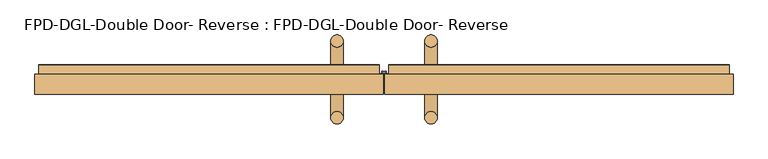
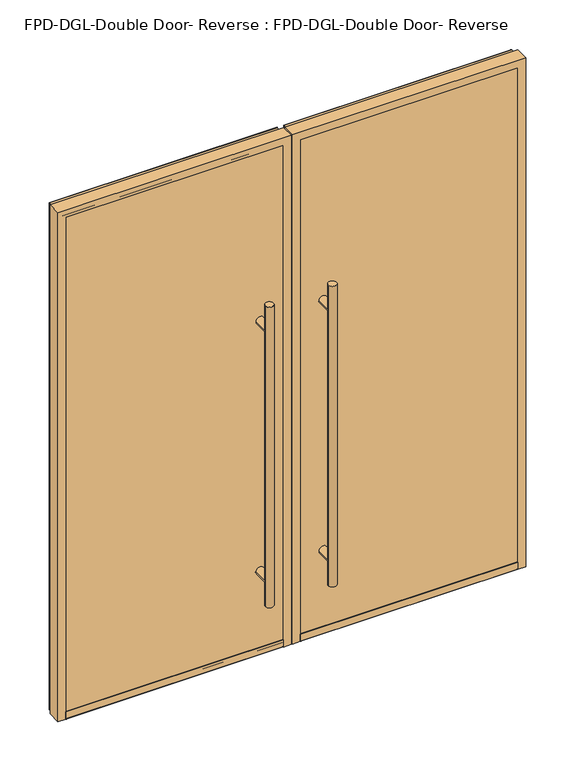
"""IFC4 building model written with IfcOpenShell, lengths in millimetres: door geometry, FPD-DGL-Double Door- Reverse : FPD-DGL-Double Door- Reverse."""

import ifcopenshell
import ifcopenshell.guid

model = None  # the IFC model being written
_history = None  # IfcOwnerHistory: only IFC2X3 demands one
_inside = {}  # id of a spatial element -> (the spatial element, [elements in it])
_under = {}  # id of a project, library or spatial element -> (it, [spatial elements below it])
_declared = {}  # id of a project -> (the project, [libraries it declares])
_typed = {}  # id of a type object -> (the type object, [elements of that type])
_made_of = {}  # id of a material, layer set ... -> (it, [elements and type objects made of it])


def new_model(schema):
    """Start an empty IFC model of exactly this schema.

    Asked for "IFC4X3", IfcOpenShell would pick the latest addendum, in which some entities
    have other attributes; the version numbers below select the first issue.
    IFC2X3 requires an IfcOwnerHistory on every rooted entity: one is made here for all.
    """
    global model, _history
    if schema == "IFC4X3":
        model = ifcopenshell.file(schema_version=(4, 3, 0, 0))
    else:
        model = ifcopenshell.file(schema=schema)
    _inside.clear()
    _under.clear()
    _declared.clear()
    _typed.clear()
    _made_of.clear()
    _history = None
    if model.schema == "IFC2X3":
        org = make("IfcOrganization", Name="unknown")
        user = make(
            "IfcPersonAndOrganization",
            ThePerson=make("IfcPerson", FamilyName="unknown"),
            TheOrganization=org,
        )
        app = make(
            "IfcApplication",
            ApplicationDeveloper=org,
            Version="unknown",
            ApplicationFullName="unknown",
            ApplicationIdentifier="unknown",
        )
        _history = make(
            "IfcOwnerHistory",
            OwningUser=user,
            OwningApplication=app,
            ChangeAction="ADDED",
            CreationDate=0,
        )
    return model


def make(cls, **values):
    """One entity of the class cls with the attributes given. An attribute that is None is left unset."""
    return model.create_entity(
        cls, **{name: value for name, value in values.items() if value is not None}
    )


def rooted(cls, **values):
    """An entity with a GlobalId (a new one), such as an element, a storey or a relation."""
    return make(cls, GlobalId=ifcopenshell.guid.new(), OwnerHistory=_history, **values)


def si_unit(unit_type, name, prefix=None):
    """IfcSIUnit, for example si_unit("LENGTHUNIT", "METRE", prefix="MILLI")."""
    return make("IfcSIUnit", UnitType=unit_type, Prefix=prefix, Name=name)


def assignment(units):
    """IfcUnitAssignment: the units of a project."""
    return None if units is None else make("IfcUnitAssignment", Units=units)


def point(xyz):
    """IfcCartesianPoint."""
    return None if xyz is None else make("IfcCartesianPoint", Coordinates=xyz)


def direction(xyz):
    """IfcDirection."""
    return None if xyz is None else make("IfcDirection", DirectionRatios=xyz)


def frame(location, z_axis=None, x_axis=None):
    """IfcAxis2Placement3D, a coordinate frame: its origin and axes. An axis left out is left unset."""
    return make(
        "IfcAxis2Placement3D",
        Location=point(location),
        Axis=direction(z_axis),
        RefDirection=direction(x_axis),
    )


def frame_2d(location, x_axis=None):
    """IfcAxis2Placement2D, a coordinate frame in the plane: its origin and x axis."""
    return make(
        "IfcAxis2Placement2D", Location=point(location), RefDirection=direction(x_axis)
    )


def origin():
    """The frame at (0, 0, 0) with its axes left unset."""
    return frame((0.0, 0.0, 0.0))


def place(relative_to, where):
    """IfcLocalPlacement: puts the frame where relative to a parent placement (None: the world)."""
    return make(
        "IfcLocalPlacement", PlacementRelTo=relative_to, RelativePlacement=where
    )


def context(
    kind, dimensions, precision=None, world=None, true_north=None, identifier=None
):
    """IfcGeometricRepresentationContext, for example the 3D "Model" context."""
    return make(
        "IfcGeometricRepresentationContext",
        ContextIdentifier=identifier,
        ContextType=kind,
        CoordinateSpaceDimension=dimensions,
        Precision=precision,
        WorldCoordinateSystem=world,
        TrueNorth=true_north,
    )


def project(units=None, contexts=None):
    """IfcProject with its units and contexts."""
    return rooted(
        "IfcProject",
        Name="project",
        RepresentationContexts=contexts,
        UnitsInContext=assignment(units),
    )


def spatial(cls, under=None, at=None, **own):
    """A site, building, storey or space (cls), placed at a placement, below another one or the project."""
    s = rooted(cls, ObjectPlacement=at, **own)
    if under is not None:
        _under.setdefault(under.id(), (under, []))[1].append(s)
    return s


def polyline(points):
    """IfcPolyline through the points."""
    return make("IfcPolyline", Points=[point(p) for p in points])


def circle_curve(where, radius):
    """IfcCircle in the frame where."""
    return make("IfcCircle", Position=where, Radius=radius)


def ellipse_curve(where, semi_axis1, semi_axis2):
    """IfcEllipse in the frame where."""
    return make(
        "IfcEllipse", Position=where, SemiAxis1=semi_axis1, SemiAxis2=semi_axis2
    )


def trimmed(basis, trim1, trim2, sense, master):
    """IfcTrimmedCurve: the piece of a basis curve between two trims."""
    return make(
        "IfcTrimmedCurve",
        BasisCurve=basis,
        Trim1=trim1,
        Trim2=trim2,
        SenseAgreement=sense,
        MasterRepresentation=master,
    )


def segment(curve, same_sense, transition):
    """IfcCompositeCurveSegment."""
    return make(
        "IfcCompositeCurveSegment",
        Transition=transition,
        SameSense=same_sense,
        ParentCurve=curve,
    )


def composite_curve(segments, self_intersect=None):
    """IfcCompositeCurve: segments joined end to end."""
    return make("IfcCompositeCurve", Segments=segments, SelfIntersect=self_intersect)


def outline(outer, holes=None, kind="AREA"):
    """IfcArbitraryClosedProfileDef: a profile drawn as a closed curve; with holes, ...WithVoids."""
    if holes is None:
        return make("IfcArbitraryClosedProfileDef", ProfileType=kind, OuterCurve=outer)
    return make(
        "IfcArbitraryProfileDefWithVoids",
        ProfileType=kind,
        OuterCurve=outer,
        InnerCurves=holes,
    )


def extrude(swept, where, along, depth):
    """IfcExtrudedAreaSolid: the profile swept, set in the frame where, extruded along a direction by depth."""
    return make(
        "IfcExtrudedAreaSolid",
        SweptArea=swept,
        Position=where,
        ExtrudedDirection=direction(along),
        Depth=depth,
    )


def shape(context_of_items, identifier, shape_type, items):
    """IfcShapeRepresentation: the items that make up one representation, for example the "Body"."""
    return make(
        "IfcShapeRepresentation",
        ContextOfItems=context_of_items,
        RepresentationIdentifier=identifier,
        RepresentationType=shape_type,
        Items=items,
    )


def source(mapping_origin, context_of_items, identifier, shape_type, items):
    """IfcRepresentationMap: a shape defined once, which mapped items show again and again."""
    return make(
        "IfcRepresentationMap",
        MappingOrigin=mapping_origin,
        MappedRepresentation=shape(context_of_items, identifier, shape_type, items),
    )


def transform(
    local_origin,
    x_axis=None,
    y_axis=None,
    z_axis=None,
    scale=None,
    scale2=None,
    scale3=None,
    uniform=True,
):
    """IfcCartesianTransformationOperator3D, or its non-uniform kind. x_axis, y_axis, z_axis: its Axis1, 2, 3."""
    if uniform:
        return make(
            "IfcCartesianTransformationOperator3D",
            Axis1=direction(x_axis),
            Axis2=direction(y_axis),
            LocalOrigin=point(local_origin),
            Scale=scale,
            Axis3=direction(z_axis),
        )
    return make(
        "IfcCartesianTransformationOperator3DnonUniform",
        Axis1=direction(x_axis),
        Axis2=direction(y_axis),
        LocalOrigin=point(local_origin),
        Scale=scale,
        Axis3=direction(z_axis),
        Scale2=scale2,
        Scale3=scale3,
    )


def mapped(mapping_source, mapping_target):
    """IfcMappedItem: shows the shape of a source again, moved by a transform."""
    return make(
        "IfcMappedItem", MappingSource=mapping_source, MappingTarget=mapping_target
    )


def made_of(thing, what):
    """Note that an element or type object is made of a material, layer set ...; save() writes the relation."""
    if what is not None:
        _made_of.setdefault(what.id(), (what, []))[1].append(thing)
    return thing


def element(
    cls,
    number,
    at=None,
    inside=None,
    cuts=None,
    type_object=None,
    material=None,
    context=None,
    identifier="Body",
    shape_type=None,
    held_by="IfcProductDefinitionShape",
    body=None,
    shapes=None,
    **own,
):
    """One element of the class cls, such as IfcWall. Its Tag is "e" and its number.

    at: its placement. inside: the storey or other place that contains it. cuts: it is an
    opening in that element (IfcRelVoidsElement). A single representation is given by context,
    identifier, shape_type and body (its items); several are given by shapes. held_by: the class
    of the entity that holds the representations. save() writes the other relations.
    """
    e = rooted(cls, Tag="e%d" % number, ObjectPlacement=at, **own)
    if body is not None:
        shapes = [shape(context, identifier, shape_type, body)]
    if shapes is not None:
        e.Representation = make(held_by, Representations=shapes)
    if inside is not None:
        _inside.setdefault(inside.id(), (inside, []))[1].append(e)
    if cuts is not None:
        rooted(
            "IfcRelVoidsElement", RelatingBuildingElement=cuts, RelatedOpeningElement=e
        )
    if type_object is not None:
        _typed.setdefault(type_object.id(), (type_object, []))[1].append(e)
    return made_of(e, material)


def aggregate(whole, parts):
    """IfcRelAggregates: a whole, such as a stair, and the parts it consists of."""
    return rooted("IfcRelAggregates", RelatingObject=whole, RelatedObjects=parts)


def save(model, path):
    """Write the relations noted so far, then the file.

    IfcRelAggregates (storeys below a building ...), IfcRelContainedInSpatialStructure (elements
    in a storey), IfcRelDefinesByType, IfcRelAssociatesMaterial and IfcRelDeclares: one each for
    every whole, place, type object, material and project.
    """
    for whole, parts in _under.values():
        aggregate(whole, parts)
    for where, things in _inside.values():
        rooted(
            "IfcRelContainedInSpatialStructure",
            RelatedElements=things,
            RelatingStructure=where,
        )
    for kind, things in _typed.values():
        rooted("IfcRelDefinesByType", RelatedObjects=things, RelatingType=kind)
    for what, things in _made_of.values():
        rooted("IfcRelAssociatesMaterial", RelatedObjects=things, RelatingMaterial=what)
    for by, libraries in _declared.values():
        rooted("IfcRelDeclares", RelatingContext=by, RelatedDefinitions=libraries)
    model.write(path)


def plane_surface(at):
    """IfcPlane: the flat surface through the origin of the frame at, square to its z axis."""
    return make("IfcPlane", Position=at)


def cylinder_surface(at, radius):
    """IfcCylindricalSurface: all points at the distance radius from the z axis of the frame at."""
    return make("IfcCylindricalSurface", Position=at, Radius=radius)


def revolved_surface(curve, axis_point, axis_direction):
    """IfcSurfaceOfRevolution: the curve turned about the line through axis_point along axis_direction."""
    return make(
        "IfcSurfaceOfRevolution",
        SweptCurve=make("IfcArbitraryOpenProfileDef", ProfileType="CURVE", Curve=curve),
        AxisPosition=make("IfcAxis1Placement", Location=point(axis_point), Axis=direction(axis_direction)),
    )


def advanced_brep(points, edges, surfaces, faces):
    """IfcAdvancedBrep: a solid bounded by faces that lie on surfaces and meet in shared edges.

    An edge is (start, end): straight between two places in points (the first is 0);
    or (start, end, curve); or (start, end, curve, False) where it runs against its curve.
    A face is (place in surfaces, loops), or (place, loops, False) where it looks against
    its surface's normal. A loop lists edges by number (the first is 1), with a minus sign
    where the edge is run from its end to its start. The first loop is the outer one.
    """
    corners = [point(p) for p in points]
    vertices = [make("IfcVertexPoint", VertexGeometry=c) for c in corners]
    made = []
    for start, end, *more in edges:
        made.append(
            make(
                "IfcEdgeCurve",
                EdgeStart=vertices[start],
                EdgeEnd=vertices[end],
                EdgeGeometry=more[0] if more else make("IfcPolyline", Points=[corners[start], corners[end]]),
                SameSense=more[1] if len(more) > 1 else True,
            )
        )
    hull = []
    for where, loops, *sense in faces:
        bounds = []
        for j, loop in enumerate(loops):
            ring = [make("IfcOrientedEdge", EdgeElement=made[abs(k) - 1], Orientation=k > 0) for k in loop]
            bounds.append(
                make(
                    "IfcFaceOuterBound" if j == 0 else "IfcFaceBound",
                    Bound=make("IfcEdgeLoop", EdgeList=ring),
                    Orientation=True,
                )
            )
        hull.append(make("IfcAdvancedFace", Bounds=bounds, FaceSurface=surfaces[where], SameSense=sense[0] if sense else True))
    return make("IfcAdvancedBrep", Outer=make("IfcClosedShell", CfsFaces=hull))


def fpd_dgl_double_door_reverse_fpd_dgl_double_door_reverse_4a1ef903(model_context):
    return source(origin(), model_context, "Body", "SolidModel", [
        advanced_brep(
        [(104.9845783, -71.9151142, 1473.2), (136.7345783, -71.9151142, 1473.2), (104.9845783, 125.3098915, 1473.2), (136.7345783, 125.3098915, 1473.2), (104.9845783, -71.9151142, 254.0), (136.7345783, -71.9151142, 254.0), (104.9845783, 125.3098915, 254.0), (136.7345783, 125.3098915, 254.0), (104.9845783, -71.9151142, 355.6), (136.7345783, -71.9151142, 355.6), (104.9845783, -71.9151142, 1371.6), (136.7345783, -71.9151142, 1371.6), (136.7345783, 125.3098915, 1371.6), (136.7345783, 125.3098915, 355.6), (104.9845783, 125.3098915, 355.6), (104.9845783, 125.3098915, 1371.6)],
        [
            (0, 1, circle_curve(frame((120.8595783, -71.9151142, 1473.2), z_axis=(0.0, 0.0, 1.0), x_axis=(1.0, 0.0, 0.0)), 15.875)),
            (1, 0, circle_curve(frame((120.8595783, -71.9151142, 1473.2), z_axis=(0.0, 0.0, 1.0), x_axis=(1.0, 0.0, 0.0)), 15.875)),
            (2, 3, circle_curve(frame((120.8595783, 125.3098915, 1473.2), z_axis=(0.0, 0.0, 1.0), x_axis=(1.0, 0.0, 0.0)), 15.875)),
            (3, 2, circle_curve(frame((120.8595783, 125.3098915, 1473.2), z_axis=(0.0, 0.0, 1.0), x_axis=(1.0, 0.0, 0.0)), 15.875)),
            (4, 5, circle_curve(frame((120.8595783, -71.9151142, 254.0), z_axis=(0.0, 0.0, -1.0), x_axis=(1.0, 0.0, 0.0)), 15.875)),
            (5, 4, circle_curve(frame((120.8595783, -71.9151142, 254.0), z_axis=(0.0, 0.0, -1.0), x_axis=(1.0, 0.0, 0.0)), 15.875)),
            (6, 7, circle_curve(frame((120.8595783, 125.3098915, 254.0), z_axis=(0.0, 0.0, -1.0), x_axis=(1.0, 0.0, 0.0)), 15.875)),
            (7, 6, circle_curve(frame((120.8595783, 125.3098915, 254.0), z_axis=(0.0, 0.0, -1.0), x_axis=(1.0, 0.0, 0.0)), 15.875)),
            (4, 8),
            (8, 9, ellipse_curve(frame((120.8595783, -71.9151142, 355.6), z_axis=(0.0, -0.7071067811865525, -0.7071067811865427), x_axis=(0.0, -0.7071067811865427, 0.7071067811865523)), 22.4506403, 15.875)),
            (9, 5),
            (10, 11, ellipse_curve(frame((120.8595783, -71.9151142, 1371.6), z_axis=(0.0, -0.7071067811865427, -0.7071067811865525), x_axis=(0.0, -0.7071067811865525, 0.7071067811865425)), 22.4506403, 15.875)),
            (11, 9),
            (9, 8, ellipse_curve(frame((120.8595783, -71.9151142, 355.6), z_axis=(0.0, -0.7071067811865427, 0.7071067811865525), x_axis=(0.0, 0.7071067811865525, 0.7071067811865425)), 22.4506403, 15.875)),
            (8, 10),
            (1, 11),
            (11, 10, ellipse_curve(frame((120.8595783, -71.9151142, 1371.6), z_axis=(0.0, -0.7071067811865525, 0.7071067811865427), x_axis=(0.0, 0.7071067811865427, 0.7071067811865523)), 22.4506403, 15.875)),
            (10, 0),
            (3, 12),
            (12, 13),
            (13, 7),
            (6, 14),
            (14, 15),
            (15, 2),
            (15, 12, ellipse_curve(frame((120.8595783, 125.3098915, 1371.6), z_axis=(0.0, 0.7071067811865427, 0.7071067811865525), x_axis=(0.0, -0.7071067811865525, 0.7071067811865425)), 22.4506403, 15.875)),
            (13, 14, ellipse_curve(frame((120.8595783, 125.3098915, 355.6), z_axis=(0.0, 0.7071067811865427, -0.7071067811865525), x_axis=(0.0, 0.7071067811865525, 0.7071067811865425)), 22.4506403, 15.875)),
            (14, 13, ellipse_curve(frame((120.8595783, 125.3098915, 355.6), z_axis=(0.0, 0.7071067811865525, 0.7071067811865427), x_axis=(0.0, -0.7071067811865427, 0.7071067811865523)), 22.4506403, 15.875)),
            (12, 15, ellipse_curve(frame((120.8595783, 125.3098915, 1371.6), z_axis=(0.0, 0.7071067811865525, -0.7071067811865427), x_axis=(0.0, 0.7071067811865427, 0.7071067811865523)), 22.4506403, 15.875)),
            (10, 15),
            (12, 11),
            (8, 14),
            (13, 9),
        ],
        [
            plane_surface(frame((21.7521776, 26.7129348, 1473.2), z_axis=(0.0, 0.0, 1.0), x_axis=(0.0, -1.0, 0.0))),
            plane_surface(frame((21.7521776, 26.7129348, 254.0), z_axis=(0.0, 0.0, -1.0), x_axis=(0.0, -1.0, 0.0))),
            cylinder_surface(frame((120.8595783, -71.9151142, 1473.2), z_axis=(0.0, 0.0, 1.0), x_axis=(1.0, 0.0, 0.0)), 15.875),
            cylinder_surface(frame((120.8595783, 125.3098915, 1473.2), z_axis=(0.0, 0.0, 1.0), x_axis=(1.0, 0.0, 0.0)), 15.875),
            cylinder_surface(frame((120.8595783, 125.3098915, 1371.6), z_axis=(0.0, -1.0, 0.0), x_axis=(-1.0, 0.0, 0.0)), 15.875),
            cylinder_surface(frame((120.8595783, 26.7129348, 355.6), z_axis=(0.0, -1.0, 0.0), x_axis=(-1.0, 0.0, 0.0)), 15.875),
        ],
        [
            (0, [[1, 2]]),
            (0, [[3, 4]]),
            (1, [[5, 6]]),
            (1, [[7, 8]]),
            (2, [[9, 10, 11, -5]]),
            (2, [[12, 13, 14, 15]]),
            (2, [[16, 17, 18, -2]]),
            (2, [[-18, -15, -9, -6, -11, -13, -16, -1]]),
            (3, [[19, 20, 21, -7, 22, 23, 24, -4]]),
            (3, [[-24, 25, -19, -3]]),
            (3, [[-21, 26, -22, -8]]),
            (3, [[27, -20, 28, -23]]),
            (4, [[-12, 29, -28, 30]]),
            (4, [[-25, -29, -17, -30]]),
            (5, [[-10, 31, -26, 32]]),
            (5, [[-27, -31, -14, -32]]),
        ],
    ),
        advanced_brep(
        [(-104.9845783, -71.9151142, 1473.2), (-136.7345783, -71.9151142, 1473.2), (-104.9845783, 125.3098915, 1473.2), (-136.7345783, 125.3098915, 1473.2), (-104.9845783, -71.9151142, 254.0), (-136.7345783, -71.9151142, 254.0), (-104.9845783, 125.3098915, 254.0), (-136.7345783, 125.3098915, 254.0), (-104.9845783, -71.9151142, 1371.6), (-136.7345783, -71.9151142, 1371.6), (-136.7345783, -71.9151142, 355.6), (-104.9845783, -71.9151142, 355.6), (-104.9845783, 125.3098915, 1371.6), (-104.9845783, 125.3098915, 355.6), (-136.7345783, 125.3098915, 355.6), (-136.7345783, 125.3098915, 1371.6)],
        [
            (0, 1, circle_curve(frame((-120.8595783, -71.9151142, 1473.2), z_axis=(0.0, 0.0, 1.0), x_axis=(-1.0, 0.0, 0.0)), 15.875)),
            (1, 0, circle_curve(frame((-120.8595783, -71.9151142, 1473.2), z_axis=(0.0, 0.0, 1.0), x_axis=(-1.0, 0.0, 0.0)), 15.875)),
            (2, 3, circle_curve(frame((-120.8595783, 125.3098915, 1473.2), z_axis=(0.0, 0.0, 1.0), x_axis=(-1.0, 0.0, 0.0)), 15.875)),
            (3, 2, circle_curve(frame((-120.8595783, 125.3098915, 1473.2), z_axis=(0.0, 0.0, 1.0), x_axis=(-1.0, 0.0, 0.0)), 15.875)),
            (4, 5, circle_curve(frame((-120.8595783, -71.9151142, 254.0), z_axis=(0.0, 0.0, -1.0), x_axis=(-1.0, 0.0, 0.0)), 15.875)),
            (5, 4, circle_curve(frame((-120.8595783, -71.9151142, 254.0), z_axis=(0.0, 0.0, -1.0), x_axis=(-1.0, 0.0, 0.0)), 15.875)),
            (6, 7, circle_curve(frame((-120.8595783, 125.3098915, 254.0), z_axis=(0.0, 0.0, -1.0), x_axis=(-1.0, 0.0, 0.0)), 15.875)),
            (7, 6, circle_curve(frame((-120.8595783, 125.3098915, 254.0), z_axis=(0.0, 0.0, -1.0), x_axis=(-1.0, 0.0, 0.0)), 15.875)),
            (0, 8),
            (8, 9, ellipse_curve(frame((-120.8595783, -71.9151142, 1371.6), z_axis=(0.0, -0.7071067811865525, 0.7071067811865427), x_axis=(0.0, 0.7071067811865427, 0.7071067811865523)), 22.4506403, 15.875)),
            (9, 1),
            (5, 10),
            (10, 11, ellipse_curve(frame((-120.8595783, -71.9151142, 355.6), z_axis=(0.0, -0.7071067811865525, -0.7071067811865427), x_axis=(0.0, -0.7071067811865427, 0.7071067811865523)), 22.4506403, 15.875)),
            (11, 4),
            (8, 11),
            (11, 10, ellipse_curve(frame((-120.8595783, -71.9151142, 355.6), z_axis=(0.0, -0.7071067811865427, 0.7071067811865525), x_axis=(0.0, 0.7071067811865525, 0.7071067811865425)), 22.4506403, 15.875)),
            (10, 9),
            (9, 8, ellipse_curve(frame((-120.8595783, -71.9151142, 1371.6), z_axis=(0.0, -0.7071067811865427, -0.7071067811865525), x_axis=(0.0, -0.7071067811865525, 0.7071067811865425)), 22.4506403, 15.875)),
            (2, 12),
            (12, 13),
            (13, 6),
            (7, 14),
            (14, 15),
            (15, 3),
            (15, 12, ellipse_curve(frame((-120.8595783, 125.3098915, 1371.6), z_axis=(0.0, 0.7071067811865427, 0.7071067811865525), x_axis=(0.0, -0.7071067811865525, 0.7071067811865425)), 22.4506403, 15.875)),
            (13, 14, ellipse_curve(frame((-120.8595783, 125.3098915, 355.6), z_axis=(0.0, 0.7071067811865427, -0.7071067811865525), x_axis=(0.0, 0.7071067811865525, 0.7071067811865425)), 22.4506403, 15.875)),
            (12, 15, ellipse_curve(frame((-120.8595783, 125.3098915, 1371.6), z_axis=(0.0, 0.7071067811865525, -0.7071067811865427), x_axis=(0.0, 0.7071067811865427, 0.7071067811865523)), 22.4506403, 15.875)),
            (14, 13, ellipse_curve(frame((-120.8595783, 125.3098915, 355.6), z_axis=(0.0, 0.7071067811865525, 0.7071067811865427), x_axis=(0.0, -0.7071067811865427, 0.7071067811865523)), 22.4506403, 15.875)),
            (9, 15),
            (12, 8),
            (10, 14),
            (13, 11),
        ],
        [
            plane_surface(frame((-21.7521776, 26.7129348, 1473.2), z_axis=(0.0, 0.0, 1.0), x_axis=(0.0, -1.0, 0.0))),
            plane_surface(frame((-21.7521776, 26.7129348, 254.0), z_axis=(0.0, 0.0, -1.0), x_axis=(0.0, -1.0, 0.0))),
            cylinder_surface(frame((-120.8595783, -71.9151142, 1473.2), z_axis=(0.0, 0.0, 1.0), x_axis=(-1.0, 0.0, 0.0)), 15.875),
            cylinder_surface(frame((-120.8595783, 125.3098915, 1473.2), z_axis=(0.0, 0.0, 1.0), x_axis=(-1.0, 0.0, 0.0)), 15.875),
            cylinder_surface(frame((-120.8595783, 125.3098915, 1371.6), z_axis=(0.0, -1.0, 0.0), x_axis=(1.0, 0.0, 0.0)), 15.875),
            cylinder_surface(frame((-120.8595783, 26.7129348, 355.6), z_axis=(0.0, -1.0, 0.0), x_axis=(1.0, 0.0, 0.0)), 15.875),
        ],
        [
            (0, [[1, 2]]),
            (0, [[3, 4]]),
            (1, [[5, 6]]),
            (1, [[7, 8]]),
            (2, [[-1, 9, 10, 11]]),
            (2, [[-6, 12, 13, 14]]),
            (2, [[15, 16, 17, 18]]),
            (2, [[-2, -11, -17, -12, -5, -14, -15, -9]]),
            (3, [[-3, 19, 20, 21, -8, 22, 23, 24]]),
            (3, [[-4, -24, 25, -19]]),
            (3, [[-7, -21, 26, -22]]),
            (3, [[-20, 27, -23, 28]]),
            (4, [[29, -27, 30, -18]]),
            (4, [[-29, -10, -30, -25]]),
            (5, [[31, -26, 32, -13]]),
            (5, [[-31, -16, -32, -28]]),
        ],
    ),
        advanced_brep(
        [(-867.7641512, -1.473593, 45.8749402), (-867.7641512, 54.7264566, 45.8749402), (-867.7641512, 54.7264566, 35.2749614), (-867.7641512, 62.9264399, 35.2749614), (-867.7641512, 63.4264389, 35.7749604), (-867.7641512, 63.4264392, 43.0952793), (-867.7641512, 63.3264395, 44.0749436), (-867.7641512, 63.3264395, 45.8749402), (-867.7641512, 64.7264365, 45.8749402), (-867.7641512, 64.7264365, 15.875), (-867.7641512, -10.6735651, 15.875), (-867.7641512, -11.4735635, 16.6749984), (-867.7641512, -11.4735635, 45.8749402), (-867.7641512, -10.0735665, 45.8749402), (-867.7641512, -10.0735665, 44.0749434), (-867.7641512, -10.1735662, 43.0952791), (-867.7641512, -10.1735662, 35.2749613), (-867.7641512, -1.473593, 35.2749613), (-32.3483488, -1.473593, 45.8749402), (-32.3483488, -1.473593, 35.2749613), (-32.3483488, -10.1735662, 35.2749613), (-32.3483488, -10.1735662, 43.0952791), (-32.3483488, -10.0735665, 44.0749434), (-32.3483488, -10.0735665, 45.8749402), (-32.3483488, -11.4735635, 45.8749402), (-32.3483488, -11.4735635, 16.6749984), (-32.3483488, -10.6735651, 15.875), (-32.3483488, 64.7264365, 15.875), (-32.3483488, 64.7264365, 45.8749402), (-32.3483488, 63.3264395, 45.8749402), (-32.3483488, 63.3264395, 44.0749436), (-32.3483488, 63.4264392, 43.0952793), (-32.3483488, 63.4264392, 35.7749604), (-32.3483488, 62.9264399, 35.2749614), (-32.3483488, 54.7264566, 35.2749614), (-32.3483488, 54.7264566, 45.8749402)],
        [
            (0, 1),
            (1, 2),
            (2, 3),
            (3, 4, circle_curve(frame((-867.7641512, 62.9264399, 35.7749604), z_axis=(1.0, 0.0, 0.0), x_axis=(0.0, 0.0, 1.0)), 0.499999)),
            (4, 5),
            (5, 6),
            (6, 7),
            (7, 8),
            (8, 9),
            (9, 10),
            (10, 11, circle_curve(frame((-867.7641512, -10.6735651, 16.6749984), z_axis=(-1.0, 0.0, 0.0), x_axis=(0.0, 0.0, 1.0)), 0.7999984)),
            (11, 12),
            (12, 13),
            (13, 14),
            (14, 15),
            (15, 16),
            (16, 17),
            (17, 0),
            (18, 19),
            (19, 20),
            (20, 21),
            (21, 22),
            (22, 23),
            (23, 24),
            (24, 25),
            (25, 26, circle_curve(frame((-32.3483488, -10.6735651, 16.6749984), z_axis=(1.0, 0.0, 0.0), x_axis=(0.0, 0.0, 1.0)), 0.7999984)),
            (26, 27),
            (27, 28),
            (28, 29),
            (29, 30),
            (30, 31),
            (31, 32),
            (32, 33, circle_curve(frame((-32.3483488, 62.9264399, 35.7749604), z_axis=(-1.0, 0.0, 0.0), x_axis=(0.0, 0.0, 1.0)), 0.499999)),
            (33, 34),
            (34, 35),
            (35, 18),
            (17, 19),
            (18, 0),
            (16, 20),
            (15, 21),
            (14, 22),
            (13, 23),
            (12, 24),
            (11, 25),
            (10, 26),
            (9, 27),
            (8, 28),
            (7, 29),
            (6, 30),
            (5, 31),
            (4, 32),
            (3, 33),
            (2, 34),
            (1, 35),
        ],
        [
            plane_surface(frame((-867.7641512, 26.7129348, 15.875), z_axis=(-1.0, 0.0, 0.0), x_axis=(0.0, -1.0, 0.0))),
            plane_surface(frame((-32.3483488, 26.7129348, 15.875), z_axis=(1.0, 0.0, 0.0), x_axis=(0.0, -1.0, 0.0))),
            plane_surface(frame((-867.7641512, -1.473593, 35.2749613), z_axis=(0.0, -1.0, 0.0), x_axis=(1.0, 0.0, 0.0))),
            plane_surface(frame((-867.7641512, -10.1735662, 35.2749613), z_axis=(0.0, 0.0, 1.0), x_axis=(1.0, 0.0, 0.0))),
            plane_surface(frame((-867.7641512, -10.1735662, 43.0952791), z_axis=(0.0, 1.0, 0.0), x_axis=(1.0, 0.0, 0.0))),
            plane_surface(frame((-867.7641512, -10.0735665, 44.0749434), z_axis=(0.0, 0.9948306566625577, -0.10154784372080161), x_axis=(1.0, 0.0, 0.0))),
            plane_surface(frame((-867.7641512, -10.0735665, 45.8749402), z_axis=(0.0, 1.0, 0.0), x_axis=(1.0, 0.0, 0.0))),
            plane_surface(frame((-867.7641512, -11.4735635, 45.8749402), z_axis=(0.0, 0.0, 1.0), x_axis=(1.0, 0.0, 0.0))),
            plane_surface(frame((-867.7641512, -11.4735635, 16.6749984), z_axis=(0.0, -1.0, 0.0), x_axis=(1.0, 0.0, 0.0))),
            cylinder_surface(frame((-867.7641512, -10.6735651, 16.6749984), z_axis=(-1.0, 0.0, 0.0), x_axis=(0.0, 0.0, 1.0)), 0.7999984),
            plane_surface(frame((-867.7641512, 64.7264365, 15.875), z_axis=(0.0, 0.0, -1.0), x_axis=(1.0, 0.0, 0.0))),
            plane_surface(frame((-867.7641512, 64.7264365, 45.8749402), z_axis=(0.0, 1.0, 0.0), x_axis=(1.0, 0.0, 0.0))),
            plane_surface(frame((-867.7641512, 63.3264395, 45.8749402), z_axis=(0.0, 0.0, 1.0), x_axis=(1.0, 0.0, 0.0))),
            plane_surface(frame((-867.7641512, 63.3264395, 44.0749436), z_axis=(0.0, -1.0, 0.0), x_axis=(1.0, 0.0, 0.0))),
            plane_surface(frame((-867.7641512, 63.4264392, 43.0952793), z_axis=(0.0, -0.9948306566600441, -0.10154784374542594), x_axis=(1.0, 0.0, 0.0))),
            plane_surface(frame((-867.7641512, 63.4264392, 35.7749604), z_axis=(0.0, -1.0, 0.0), x_axis=(1.0, 0.0, 0.0))),
            revolved_surface(polyline([(-32.34834879999994, 62.9264399, 36.2749594), (-867.7641512, 62.9264399, 36.2749594)]), (-867.7641512, 62.9264399, 35.7749604), (1.0, 0.0, 0.0)),
            plane_surface(frame((-867.7641512, 54.7264566, 35.2749614), z_axis=(0.0, 0.0, 1.0), x_axis=(1.0, 0.0, 0.0))),
            plane_surface(frame((-867.7641512, 54.7264566, 45.8749402), z_axis=(0.0, 1.0, 0.0), x_axis=(1.0, 0.0, 0.0))),
            plane_surface(frame((-867.7641512, -1.473593, 45.8749402), z_axis=(0.0, 0.0, 1.0), x_axis=(1.0, 0.0, 0.0))),
        ],
        [
            (0, [[1, 2, 3, 4, 5, 6, 7, 8, 9, 10, 11, 12, 13, 14, 15, 16, 17, 18]]),
            (1, [[19, 20, 21, 22, 23, 24, 25, 26, 27, 28, 29, 30, 31, 32, 33, 34, 35, 36]]),
            (2, [[-18, 37, -19, 38]]),
            (3, [[-17, 39, -20, -37]]),
            (4, [[-16, 40, -21, -39]]),
            (5, [[-15, 41, -22, -40]]),
            (6, [[-14, 42, -23, -41]]),
            (7, [[-13, 43, -24, -42]]),
            (8, [[-12, 44, -25, -43]]),
            (9, [[-11, 45, -26, -44]]),
            (10, [[-10, 46, -27, -45]]),
            (11, [[-9, 47, -28, -46]]),
            (12, [[-8, 48, -29, -47]]),
            (13, [[-7, 49, -30, -48]]),
            (14, [[-6, 50, -31, -49]]),
            (15, [[-5, 51, -32, -50]]),
            (16, [[-4, 52, -33, -51]]),
            (17, [[-3, 53, -34, -52]]),
            (18, [[-2, 54, -35, -53]]),
            (19, [[-1, -38, -36, -54]]),
        ],
    ),
        advanced_brep(
        [(867.7641512, -1.473593, 45.8749402), (867.7641512, -1.473593, 35.2749613), (867.7641512, -10.1735662, 35.2749613), (867.7641512, -10.1735662, 43.0952791), (867.7641512, -10.0735665, 44.0749434), (867.7641512, -10.0735665, 45.8749402), (867.7641512, -11.4735635, 45.8749402), (867.7641512, -11.4735635, 16.6749984), (867.7641512, -10.6735651, 15.875), (867.7641512, 64.7264365, 15.875), (867.7641512, 64.7264365, 45.8749402), (867.7641512, 63.3264395, 45.8749402), (867.7641512, 63.3264395, 44.0749436), (867.7641512, 63.4264392, 43.0952793), (867.7641512, 63.4264392, 35.7749604), (867.7641512, 62.9264399, 35.2749614), (867.7641512, 54.7264566, 35.2749614), (867.7641512, 54.7264566, 45.8749402), (32.3483488, -1.473593, 45.8749402), (32.3483488, 54.7264566, 45.8749402), (32.3483488, 54.7264566, 35.2749614), (32.3483488, 62.9264399, 35.2749614), (32.3483488, 63.4264389, 35.7749604), (32.3483488, 63.4264392, 43.0952793), (32.3483488, 63.3264395, 44.0749436), (32.3483488, 63.3264395, 45.8749402), (32.3483488, 64.7264365, 45.8749402), (32.3483488, 64.7264365, 15.875), (32.3483488, -10.6735651, 15.875), (32.3483488, -11.4735635, 16.6749984), (32.3483488, -11.4735635, 45.8749402), (32.3483488, -10.0735665, 45.8749402), (32.3483488, -10.0735665, 44.0749434), (32.3483488, -10.1735662, 43.0952791), (32.3483488, -10.1735662, 35.2749613), (32.3483488, -1.473593, 35.2749613)],
        [
            (0, 1),
            (1, 2),
            (2, 3),
            (3, 4),
            (4, 5),
            (5, 6),
            (6, 7),
            (7, 8, circle_curve(frame((867.7641512, -10.6735651, 16.6749984), z_axis=(1.0, 0.0, 0.0), x_axis=(0.0, 0.0, -1.0)), 0.7999984)),
            (8, 9),
            (9, 10),
            (10, 11),
            (11, 12),
            (12, 13),
            (13, 14),
            (14, 15, circle_curve(frame((867.7641512, 62.9264399, 35.7749604), z_axis=(-1.0, 0.0, 0.0), x_axis=(0.0, 0.0, -1.0)), 0.499999)),
            (15, 16),
            (16, 17),
            (17, 0),
            (18, 19),
            (19, 20),
            (20, 21),
            (21, 22, circle_curve(frame((32.3483488, 62.9264399, 35.7749604), z_axis=(1.0, 0.0, 0.0), x_axis=(0.0, 0.0, -1.0)), 0.499999)),
            (22, 23),
            (23, 24),
            (24, 25),
            (25, 26),
            (26, 27),
            (27, 28),
            (28, 29, circle_curve(frame((32.3483488, -10.6735651, 16.6749984), z_axis=(-1.0, 0.0, 0.0), x_axis=(0.0, 0.0, -1.0)), 0.7999984)),
            (29, 30),
            (30, 31),
            (31, 32),
            (32, 33),
            (33, 34),
            (34, 35),
            (35, 18),
            (0, 18),
            (35, 1),
            (34, 2),
            (33, 3),
            (32, 4),
            (31, 5),
            (30, 6),
            (29, 7),
            (28, 8),
            (27, 9),
            (26, 10),
            (25, 11),
            (24, 12),
            (23, 13),
            (22, 14),
            (21, 15),
            (20, 16),
            (19, 17),
        ],
        [
            plane_surface(frame((867.7641512, 26.7129348, 15.875), z_axis=(1.0, 0.0, 0.0), x_axis=(0.0, -1.0, 0.0))),
            plane_surface(frame((32.3483488, 26.7129348, 15.875), z_axis=(-1.0, 0.0, 0.0), x_axis=(0.0, -1.0, 0.0))),
            plane_surface(frame((867.7641512, -1.473593, 45.8749402), z_axis=(0.0, -1.0, 0.0), x_axis=(-1.0, 0.0, 0.0))),
            plane_surface(frame((867.7641512, -1.473593, 35.2749613), z_axis=(0.0, 0.0, 1.0), x_axis=(-1.0, 0.0, 0.0))),
            plane_surface(frame((867.7641512, -10.1735662, 35.2749613), z_axis=(0.0, 1.0, 0.0), x_axis=(-1.0, 0.0, 0.0))),
            plane_surface(frame((867.7641512, -10.1735662, 43.0952791), z_axis=(0.0, 0.9948306566625577, -0.10154784372080161), x_axis=(-1.0, 0.0, 0.0))),
            plane_surface(frame((867.7641512, -10.0735665, 44.0749434), z_axis=(0.0, 1.0, 0.0), x_axis=(-1.0, 0.0, 0.0))),
            plane_surface(frame((867.7641512, -10.0735665, 45.8749402), z_axis=(0.0, 0.0, 1.0), x_axis=(-1.0, 0.0, 0.0))),
            plane_surface(frame((867.7641512, -11.4735635, 45.8749402), z_axis=(0.0, -1.0, 0.0), x_axis=(-1.0, 0.0, 0.0))),
            cylinder_surface(frame((867.7641512, -10.6735651, 16.6749984), z_axis=(1.0, 0.0, 0.0), x_axis=(0.0, 0.0, -1.0)), 0.7999984),
            plane_surface(frame((867.7641512, -10.6735651, 15.875), z_axis=(0.0, 0.0, -1.0), x_axis=(-1.0, 0.0, 0.0))),
            plane_surface(frame((867.7641512, 64.7264365, 15.875), z_axis=(0.0, 1.0, 0.0), x_axis=(-1.0, 0.0, 0.0))),
            plane_surface(frame((867.7641512, 64.7264365, 45.8749402), z_axis=(0.0, 0.0, 1.0), x_axis=(-1.0, 0.0, 0.0))),
            plane_surface(frame((867.7641512, 63.3264395, 45.8749402), z_axis=(0.0, -1.0, 0.0), x_axis=(-1.0, 0.0, 0.0))),
            plane_surface(frame((867.7641512, 63.3264395, 44.0749436), z_axis=(0.0, -0.9948306566600441, -0.10154784374542594), x_axis=(-1.0, 0.0, 0.0))),
            plane_surface(frame((867.7641512, 63.4264392, 43.0952793), z_axis=(0.0, -1.0, 0.0), x_axis=(-1.0, 0.0, 0.0))),
            revolved_surface(polyline([(32.34834879999994, 62.9264399, 35.274961399999995), (867.7641512, 62.9264399, 35.274961399999995)]), (867.7641512, 62.9264399, 35.7749604), (-1.0, 0.0, 0.0)),
            plane_surface(frame((867.7641512, 62.9264399, 35.2749614), z_axis=(0.0, 0.0, 1.0), x_axis=(-1.0, 0.0, 0.0))),
            plane_surface(frame((867.7641512, 54.7264566, 35.2749614), z_axis=(0.0, 1.0, 0.0), x_axis=(-1.0, 0.0, 0.0))),
            plane_surface(frame((867.7641512, 54.7264566, 45.8749402), z_axis=(0.0, 0.0, 1.0), x_axis=(-1.0, 0.0, 0.0))),
        ],
        [
            (0, [[1, 2, 3, 4, 5, 6, 7, 8, 9, 10, 11, 12, 13, 14, 15, 16, 17, 18]]),
            (1, [[19, 20, 21, 22, 23, 24, 25, 26, 27, 28, 29, 30, 31, 32, 33, 34, 35, 36]]),
            (2, [[-1, 37, -36, 38]]),
            (3, [[-2, -38, -35, 39]]),
            (4, [[-3, -39, -34, 40]]),
            (5, [[-4, -40, -33, 41]]),
            (6, [[-5, -41, -32, 42]]),
            (7, [[-6, -42, -31, 43]]),
            (8, [[-7, -43, -30, 44]]),
            (9, [[-8, -44, -29, 45]]),
            (10, [[-9, -45, -28, 46]]),
            (11, [[-10, -46, -27, 47]]),
            (12, [[-11, -47, -26, 48]]),
            (13, [[-12, -48, -25, 49]]),
            (14, [[-13, -49, -24, 50]]),
            (15, [[-14, -50, -23, 51]]),
            (16, [[-15, -51, -22, 52]]),
            (17, [[-16, -52, -21, 53]]),
            (18, [[-17, -53, -20, 54]]),
            (19, [[-18, -54, -19, -37]]),
        ],
    ),
        extrude(outline(composite_curve([segment(polyline([(-11.9062499, 41.9120547), (-6.1860208, 41.9120547), (-6.1860208, 46.4164282)]), True, "CONTINUOUS"), segment(trimmed(circle_curve(frame_2d((-4.9160208, 46.4164282)), 1.27), [point((-6.1860208, 46.4164282))], [point((-4.9160208, 47.6864282))], False, "CARTESIAN"), True, "CONTINUOUS"), segment(polyline([(-4.9160208, 47.6864282), (-2.3812329, 47.6864282), (-2.3812329, 46.4324603)]), True, "CONTINUOUS"), segment(trimmed(circle_curve(frame_2d((-3.1494566, 46.4324603)), 0.7682236), [point((-2.3812329, 46.4324603))], [point((-3.3812289, 45.7000334))], False, "CARTESIAN"), True, "CONTINUOUS"), segment(polyline([(-3.3812289, 45.7000334), (-3.3812289, 46.6642327), (-4.9160208, 46.6642327), (-4.9160208, 41.6642528), (-3.3812289, 41.6642528), (-3.3812289, 42.6642487), (-2.38125, 42.6642487), (-2.38125, 40.6497043), (-11.9062499, 40.6497043), (-11.9062499, 41.9120547)]), True, "CONTINUOUS")], self_intersect=False)), frame((0.0, 0.0, 15.875), z_axis=(0.0, 0.0, 1.0), x_axis=(1.0, 0.0, 0.0)), (0.0, 0.0, 1.0), 2046.7603224),
        extrude(outline(composite_curve([segment(polyline([(11.9062499, 41.9120547), (11.9062499, 40.6497043), (2.38125, 40.6497043), (2.38125, 42.6642487), (3.3812289, 42.6642487), (3.3812289, 41.6642528), (4.9160208, 41.6642528), (4.9160208, 46.6642327), (3.3812289, 46.6642327), (3.3812289, 45.7000334)]), True, "CONTINUOUS"), segment(trimmed(circle_curve(frame_2d((3.1494566, 46.4324603)), 0.7682236), [point((3.3812289, 45.7000334))], [point((2.3812329, 46.4324603))], False, "CARTESIAN"), True, "CONTINUOUS"), segment(polyline([(2.3812329, 46.4324603), (2.3812329, 47.6864282), (4.9160208, 47.6864282)]), True, "CONTINUOUS"), segment(trimmed(circle_curve(frame_2d((4.9160208, 46.4164282)), 1.27), [point((4.9160208, 47.6864282))], [point((6.1860208, 46.4164282))], False, "CARTESIAN"), True, "CONTINUOUS"), segment(polyline([(6.1860208, 46.4164282), (6.1860208, 41.9120547), (11.9062499, 41.9120547)]), True, "CONTINUOUS")], self_intersect=False)), frame((0.0, 0.0, 15.875), z_axis=(0.0, 0.0, 1.0), x_axis=(1.0, 0.0, 0.0)), (0.0, 0.0, 1.0), 2046.7603224),
        advanced_brep(
        [(2.3591854, -11.373661, 15.875), (2.3591854, 40.6497043, 15.875), (12.6738477, 40.6497043, 15.875), (12.6738477, 63.9992554, 15.875), (13.4735587, 64.7989664, 15.875), (32.3483488, 64.7989664, 15.875), (32.3483488, 63.4994361, 15.875), (21.7521777, 63.4994361, 15.875), (21.7521777, 54.8025787, 15.875), (32.3483488, 54.8025787, 15.875), (32.3483488, -1.3772734, 15.875), (21.7521776, -1.3772734, 15.875), (21.7521776, -10.0741304, 15.875), (32.3483488, -10.0741304, 15.875), (32.3483488, -11.373661, 15.875), (2.3591854, -11.373661, 2082.0283146), (2.3591854, 40.6497043, 2082.0283146), (897.7533146, 40.6497043, 2082.0283146), (897.7533146, 40.6497043, 15.875), (887.4386523, 40.6497043, 15.875), (887.4386523, 40.6497043, 2071.7136523), (12.6738477, 40.6497043, 2071.7136523), (12.6738477, 63.9992554, 2071.7136523), (13.4735587, 64.7989664, 2070.9139413), (886.6389413, 64.7989664, 2070.9139413), (886.6389413, 64.7989664, 15.875), (867.7641512, 64.7989664, 15.875), (867.7641512, 64.7989664, 2052.0391512), (32.3483488, 64.7989664, 2052.0391512), (32.3483488, 63.4994361, 2052.0391512), (867.7641512, 63.4994361, 2052.0391512), (867.7641512, 63.4994361, 15.875), (878.3603223, 63.4994361, 15.875), (878.3603223, 63.4994361, 2062.6353223), (21.7521777, 63.4994361, 2062.6353223), (21.7521777, 54.8025787, 2062.6353223), (878.3603223, 54.8025787, 2062.6353223), (878.3603223, 54.8025787, 15.875), (867.7641512, 54.8025787, 15.875), (867.7641512, 54.8025787, 2052.0391512), (32.3483488, 54.8025787, 2052.0391512), (32.3483488, -1.3772734, 2052.0391512), (867.7641512, -1.3772734, 2052.0391512), (867.7641512, -1.3772734, 15.875), (878.3603224, -1.3772734, 15.875), (878.3603224, -1.3772734, 2062.6353224), (21.7521776, -1.3772734, 2062.6353224), (21.7521776, -10.0741304, 2062.6353224), (878.3603224, -10.0741304, 2062.6353224), (878.3603224, -10.0741304, 15.875), (867.7641512, -10.0741304, 15.875), (867.7641512, -10.0741304, 2052.0391512), (32.3483488, -10.0741304, 2052.0391512), (32.3483488, -11.373661, 2052.0391512), (867.7641512, -11.373661, 2052.0391512), (867.7641512, -11.373661, 15.875), (897.7533146, -11.373661, 15.875), (897.7533146, -11.373661, 2082.0283146), (887.4386523, 63.9992554, 15.875), (887.4386523, 63.9992554, 2071.7136523)],
        [
            (0, 1),
            (1, 2),
            (2, 3),
            (3, 4, circle_curve(frame((13.4735587, 63.9992554, 15.875), z_axis=(0.0, 0.0, -1.0), x_axis=(0.0, -1.0, 0.0)), 0.799711)),
            (4, 5),
            (5, 6),
            (6, 7),
            (7, 8),
            (8, 9),
            (9, 10),
            (10, 11),
            (11, 12),
            (12, 13),
            (13, 14),
            (14, 0),
            (0, 15),
            (15, 16),
            (16, 1),
            (16, 17),
            (17, 18),
            (18, 19),
            (19, 20),
            (20, 21),
            (21, 2),
            (21, 22),
            (22, 3),
            (22, 23, ellipse_curve(frame((13.4735587, 63.9992554, 2070.9139413), z_axis=(-0.7071067811865476, 0.0, -0.7071067811865474), x_axis=(0.7071067811865471, 0.0, -0.7071067811865478)), 1.1309622, 0.799711)),
            (23, 4),
            (23, 24),
            (24, 25),
            (25, 26),
            (26, 27),
            (27, 28),
            (28, 5),
            (28, 29),
            (29, 6),
            (29, 30),
            (30, 31),
            (31, 32),
            (32, 33),
            (33, 34),
            (34, 7),
            (34, 35),
            (35, 8),
            (35, 36),
            (36, 37),
            (37, 38),
            (38, 39),
            (39, 40),
            (40, 9),
            (40, 41),
            (41, 10),
            (41, 42),
            (42, 43),
            (43, 44),
            (44, 45),
            (45, 46),
            (46, 11),
            (46, 47),
            (47, 12),
            (47, 48),
            (48, 49),
            (49, 50),
            (50, 51),
            (51, 52),
            (52, 13),
            (52, 53),
            (53, 14),
            (53, 54),
            (54, 55),
            (55, 56),
            (56, 57),
            (57, 15),
            (55, 50),
            (49, 44),
            (43, 38),
            (37, 32),
            (31, 26),
            (25, 58, circle_curve(frame((886.6389413, 63.9992554, 15.875), z_axis=(0.0, 0.0, -1.0), x_axis=(0.0, -1.0, 0.0)), 0.799711)),
            (58, 19),
            (18, 56),
            (54, 51),
            (48, 45),
            (42, 39),
            (36, 33),
            (30, 27),
            (24, 59, ellipse_curve(frame((886.6389413, 63.9992554, 2070.9139413), z_axis=(0.7071067811865472, 0.0, -0.7071067811865477), x_axis=(0.7071067811865476, 0.0, 0.7071067811865475)), 1.1309622, 0.799711)),
            (59, 58),
            (59, 20),
            (17, 57),
            (22, 59),
        ],
        [
            plane_surface(frame((-49.2125, 26.7129348, 15.875), z_axis=(0.0, 0.0, -1.0), x_axis=(0.0, -1.0, 0.0))),
            plane_surface(frame((2.3591854, -11.373661, 15.875), z_axis=(-1.0, 0.0, 0.0), x_axis=(0.0, 0.0, 1.0))),
            plane_surface(frame((2.3591854, 40.6497043, 15.875), z_axis=(0.0, 1.0, 0.0), x_axis=(0.0, 0.0, 1.0))),
            plane_surface(frame((12.6738477, 40.6497043, 15.875), z_axis=(-1.0, 0.0, 0.0), x_axis=(0.0, 0.0, 1.0))),
            cylinder_surface(frame((13.4735587, 63.9992554, 15.875), z_axis=(0.0, 0.0, -1.0), x_axis=(0.0, -1.0, 0.0)), 0.799711),
            plane_surface(frame((13.4735587, 64.7989664, 15.875), z_axis=(0.0, 1.0, 0.0), x_axis=(0.0, 0.0, 1.0))),
            plane_surface(frame((32.3483488, 64.7989664, 15.875), z_axis=(1.0, 0.0, 0.0), x_axis=(0.0, 0.0, 1.0))),
            plane_surface(frame((32.3483488, 63.4994361, 15.875), z_axis=(0.0, -1.0, 0.0), x_axis=(0.0, 0.0, 1.0))),
            plane_surface(frame((21.7521777, 63.4994361, 15.875), z_axis=(1.0, 0.0, 0.0), x_axis=(0.0, 0.0, 1.0))),
            plane_surface(frame((21.7521777, 54.8025787, 15.875), z_axis=(0.0, 1.0, 0.0), x_axis=(0.0, 0.0, 1.0))),
            plane_surface(frame((32.3483488, 54.8025787, 15.875), z_axis=(1.0, 0.0, 0.0), x_axis=(0.0, 0.0, 1.0))),
            plane_surface(frame((32.3483488, -1.3772734, 15.875), z_axis=(0.0, -1.0, 0.0), x_axis=(0.0, 0.0, 1.0))),
            plane_surface(frame((21.7521776, -1.3772734, 15.875), z_axis=(1.0, 0.0, 0.0), x_axis=(0.0, 0.0, 1.0))),
            plane_surface(frame((21.7521776, -10.0741304, 15.875), z_axis=(0.0, 1.0, 0.0), x_axis=(0.0, 0.0, 1.0))),
            plane_surface(frame((32.3483488, -10.0741304, 15.875), z_axis=(1.0, 0.0, 0.0), x_axis=(0.0, 0.0, 1.0))),
            plane_surface(frame((32.3483488, -11.373661, 15.875), z_axis=(0.0, -1.0, 0.0), x_axis=(0.0, 0.0, 1.0))),
            plane_surface(frame((949.325, 26.7129348, 15.875), z_axis=(0.0, 0.0, -1.0), x_axis=(0.0, -1.0, 0.0))),
            plane_surface(frame((867.7641512, -10.0741304, 2052.0391512), z_axis=(-1.0, 0.0, 0.0), x_axis=(0.0, 0.0, -1.0))),
            plane_surface(frame((878.3603224, -1.3772734, 2062.6353224), z_axis=(-1.0, 0.0, 0.0), x_axis=(0.0, 0.0, -1.0))),
            plane_surface(frame((867.7641512, 54.8025787, 2052.0391512), z_axis=(-1.0, 0.0, 0.0), x_axis=(0.0, 0.0, -1.0))),
            plane_surface(frame((878.3603223, 63.4994361, 2062.6353223), z_axis=(-1.0, 0.0, 0.0), x_axis=(0.0, 0.0, -1.0))),
            plane_surface(frame((867.7641512, 64.7989664, 2052.0391512), z_axis=(-1.0, 0.0, 0.0), x_axis=(0.0, 0.0, -1.0))),
            cylinder_surface(frame((886.6389413, 63.9992554, 2133.6), z_axis=(0.0, 0.0, 1.0), x_axis=(0.0, -1.0, 0.0)), 0.799711),
            plane_surface(frame((887.4386523, 40.6497043, 2071.7136523), z_axis=(1.0, 0.0, 0.0), x_axis=(0.0, 0.0, -1.0))),
            plane_surface(frame((897.7533146, -11.373661, 2082.0283146), z_axis=(1.0, 0.0, 0.0), x_axis=(0.0, 0.0, -1.0))),
            plane_surface(frame((32.3483488, -10.0741304, 2052.0391512), z_axis=(0.0, 0.0, -1.0), x_axis=(1.0, 0.0, 0.0))),
            plane_surface(frame((21.7521776, -1.3772734, 2062.6353224), z_axis=(0.0, 0.0, -1.0), x_axis=(1.0, 0.0, 0.0))),
            plane_surface(frame((32.3483488, 54.8025787, 2052.0391512), z_axis=(0.0, 0.0, -1.0), x_axis=(1.0, 0.0, 0.0))),
            plane_surface(frame((21.7521777, 63.4994361, 2062.6353223), z_axis=(0.0, 0.0, -1.0), x_axis=(1.0, 0.0, 0.0))),
            plane_surface(frame((32.3483488, 64.7989664, 2052.0391512), z_axis=(0.0, 0.0, -1.0), x_axis=(1.0, 0.0, 0.0))),
            cylinder_surface(frame((-49.2125, 63.9992554, 2070.9139413), z_axis=(-1.0, 0.0, 0.0), x_axis=(0.0, -1.0, 0.0)), 0.799711),
            plane_surface(frame((12.6738477, 40.6497043, 2071.7136523), z_axis=(0.0, 0.0, 1.0), x_axis=(1.0, 0.0, 0.0))),
            plane_surface(frame((2.3591854, -11.373661, 2082.0283146), z_axis=(0.0, 0.0, 1.0), x_axis=(1.0, 0.0, 0.0))),
        ],
        [
            (0, [[1, 2, 3, 4, 5, 6, 7, 8, 9, 10, 11, 12, 13, 14, 15]]),
            (1, [[-1, 16, 17, 18]]),
            (2, [[-2, -18, 19, 20, 21, 22, 23, 24]]),
            (3, [[-3, -24, 25, 26]]),
            (4, [[-4, -26, 27, 28]]),
            (5, [[-5, -28, 29, 30, 31, 32, 33, 34]]),
            (6, [[-6, -34, 35, 36]]),
            (7, [[-7, -36, 37, 38, 39, 40, 41, 42]]),
            (8, [[-8, -42, 43, 44]]),
            (9, [[-9, -44, 45, 46, 47, 48, 49, 50]]),
            (10, [[-10, -50, 51, 52]]),
            (11, [[-11, -52, 53, 54, 55, 56, 57, 58]]),
            (12, [[-12, -58, 59, 60]]),
            (13, [[-13, -60, 61, 62, 63, 64, 65, 66]]),
            (14, [[-14, -66, 67, 68]]),
            (15, [[-15, -68, 69, 70, 71, 72, 73, -16]]),
            (16, [[-71, 74, -63, 75, -55, 76, -47, 77, -39, 78, -31, 79, 80, -21, 81]]),
            (17, [[82, -64, -74, -70]]),
            (18, [[83, -56, -75, -62]]),
            (19, [[84, -48, -76, -54]]),
            (20, [[85, -40, -77, -46]]),
            (21, [[86, -32, -78, -38]]),
            (22, [[87, 88, -79, -30]]),
            (23, [[89, -22, -80, -88]]),
            (24, [[90, -72, -81, -20]]),
            (25, [[-67, -65, -82, -69]]),
            (26, [[-59, -57, -83, -61]]),
            (27, [[-51, -49, -84, -53]]),
            (28, [[-43, -41, -85, -45]]),
            (29, [[-35, -33, -86, -37]]),
            (30, [[-27, 91, -87, -29]]),
            (31, [[-25, -23, -89, -91]]),
            (32, [[-17, -73, -90, -19]]),
        ],
    ),
        extrude(outline(polyline([(878.3603224, 63.5), (878.3603224, 55.5625), (21.7521776, 55.5625), (21.7521776, 63.5), (878.3603224, 63.5)])), frame((0.0, 0.0, 35.2749614), z_axis=(0.0, 0.0, 1.0), x_axis=(1.0, 0.0, 0.0)), (0.0, 0.0, 1.0), 2027.360361),
        extrude(outline(polyline([(878.3603224, -2.1360664), (878.3603224, -10.0735664), (21.7521776, -10.0735664), (21.7521776, -2.1360664), (878.3603224, -2.1360664)])), frame((0.0, 0.0, 35.2749614), z_axis=(0.0, 0.0, 1.0), x_axis=(1.0, 0.0, 0.0)), (0.0, 0.0, 1.0), 2027.360361),
        extrude(outline(polyline([(-21.7521776, 63.5), (-21.7521776, 55.5625), (-878.3603224, 55.5625), (-878.3603224, 63.5), (-21.7521776, 63.5)])), frame((0.0, 0.0, 35.2749614), z_axis=(0.0, 0.0, 1.0), x_axis=(1.0, 0.0, 0.0)), (0.0, 0.0, 1.0), 2027.360361),
        extrude(outline(polyline([(-21.7521776, -2.1360664), (-21.7521776, -10.0735664), (-878.3603224, -10.0735664), (-878.3603224, -2.1360664), (-21.7521776, -2.1360664)])), frame((0.0, 0.0, 35.2749614), z_axis=(0.0, 0.0, 1.0), x_axis=(1.0, 0.0, 0.0)), (0.0, 0.0, 1.0), 2027.360361),
        advanced_brep(
        [(-2.3591854, -11.373661, 15.875), (-32.3483488, -11.373661, 15.875), (-32.3483488, -10.0741304, 15.875), (-21.7521776, -10.0741304, 15.875), (-21.7521776, -1.3772734, 15.875), (-32.3483488, -1.3772734, 15.875), (-32.3483488, 54.8025787, 15.875), (-21.7521777, 54.8025787, 15.875), (-21.7521777, 63.4994361, 15.875), (-32.3483488, 63.4994361, 15.875), (-32.3483488, 64.7989664, 15.875), (-13.4735587, 64.7989664, 15.875), (-12.6738477, 63.9992554, 15.875), (-12.6738477, 40.6497043, 15.875), (-2.3591854, 40.6497043, 15.875), (-2.3591854, -11.373661, 2082.0283146), (-897.7533146, -11.373661, 2082.0283146), (-897.7533146, -11.373661, 15.875), (-867.7641512, -11.373661, 15.875), (-867.7641512, -11.373661, 2052.0391512), (-32.3483488, -11.373661, 2052.0391512), (-32.3483488, -10.0741304, 2052.0391512), (-867.7641512, -10.0741304, 2052.0391512), (-867.7641512, -10.0741304, 15.875), (-878.3603224, -10.0741304, 15.875), (-878.3603224, -10.0741304, 2062.6353224), (-21.7521776, -10.0741304, 2062.6353224), (-21.7521776, -1.3772734, 2062.6353224), (-878.3603224, -1.3772734, 2062.6353224), (-878.3603224, -1.3772734, 15.875), (-867.7641512, -1.3772734, 15.875), (-867.7641512, -1.3772734, 2052.0391512), (-32.3483488, -1.3772734, 2052.0391512), (-32.3483488, 54.8025787, 2052.0391512), (-867.7641512, 54.8025787, 2052.0391512), (-867.7641512, 54.8025787, 15.875), (-878.3603223, 54.8025787, 15.875), (-878.3603223, 54.8025787, 2062.6353223), (-21.7521777, 54.8025787, 2062.6353223), (-21.7521777, 63.4994361, 2062.6353223), (-878.3603223, 63.4994361, 2062.6353223), (-878.3603223, 63.4994361, 15.875), (-867.7641512, 63.4994361, 15.875), (-867.7641512, 63.4994361, 2052.0391512), (-32.3483488, 63.4994361, 2052.0391512), (-32.3483488, 64.7989664, 2052.0391512), (-867.7641512, 64.7989664, 2052.0391512), (-867.7641512, 64.7989664, 15.875), (-886.6389413, 64.7989664, 15.875), (-886.6389413, 64.7989664, 2070.9139413), (-13.4735587, 64.7989664, 2070.9139413), (-12.6738477, 63.9992554, 2071.7136523), (-12.6738477, 40.6497043, 2071.7136523), (-887.4386523, 40.6497043, 2071.7136523), (-887.4386523, 40.6497043, 15.875), (-897.7533146, 40.6497043, 15.875), (-897.7533146, 40.6497043, 2082.0283146), (-2.3591854, 40.6497043, 2082.0283146), (-887.4386523, 63.9992554, 15.875), (-887.4386523, 63.9992554, 2071.7136523)],
        [
            (0, 1),
            (1, 2),
            (2, 3),
            (3, 4),
            (4, 5),
            (5, 6),
            (6, 7),
            (7, 8),
            (8, 9),
            (9, 10),
            (10, 11),
            (11, 12, circle_curve(frame((-13.4735587, 63.9992554, 15.875), z_axis=(0.0, 0.0, -1.0), x_axis=(0.0, -1.0, 0.0)), 0.799711)),
            (12, 13),
            (13, 14),
            (14, 0),
            (0, 15),
            (15, 16),
            (16, 17),
            (17, 18),
            (18, 19),
            (19, 20),
            (20, 1),
            (20, 21),
            (21, 2),
            (21, 22),
            (22, 23),
            (23, 24),
            (24, 25),
            (25, 26),
            (26, 3),
            (26, 27),
            (27, 4),
            (27, 28),
            (28, 29),
            (29, 30),
            (30, 31),
            (31, 32),
            (32, 5),
            (32, 33),
            (33, 6),
            (33, 34),
            (34, 35),
            (35, 36),
            (36, 37),
            (37, 38),
            (38, 7),
            (38, 39),
            (39, 8),
            (39, 40),
            (40, 41),
            (41, 42),
            (42, 43),
            (43, 44),
            (44, 9),
            (44, 45),
            (45, 10),
            (45, 46),
            (46, 47),
            (47, 48),
            (48, 49),
            (49, 50),
            (50, 11),
            (50, 51, ellipse_curve(frame((-13.4735587, 63.9992554, 2070.9139413), z_axis=(0.7071067811865475, 0.0, -0.7071067811865475), x_axis=(-0.7071067811865474, 0.0, -0.7071067811865476)), 1.1309622, 0.799711)),
            (51, 12),
            (51, 52),
            (52, 13),
            (52, 53),
            (53, 54),
            (54, 55),
            (55, 56),
            (56, 57),
            (57, 14),
            (57, 15),
            (17, 55),
            (54, 58),
            (58, 48, circle_curve(frame((-886.6389413, 63.9992554, 15.875), z_axis=(0.0, 0.0, -1.0), x_axis=(0.0, -1.0, 0.0)), 0.799711)),
            (47, 42),
            (41, 36),
            (35, 30),
            (29, 24),
            (23, 18),
            (16, 56),
            (53, 59),
            (59, 58),
            (59, 49, ellipse_curve(frame((-886.6389413, 63.9992554, 2070.9139413), z_axis=(-0.7071067811865475, 0.0, -0.7071067811865475), x_axis=(-0.7071067811865474, 0.0, 0.7071067811865476)), 1.1309622, 0.799711)),
            (46, 43),
            (40, 37),
            (34, 31),
            (28, 25),
            (22, 19),
            (59, 51),
        ],
        [
            plane_surface(frame((49.2125, 26.7129348, 15.875), z_axis=(0.0, 0.0, -1.0), x_axis=(0.0, -1.0, 0.0))),
            plane_surface(frame((-2.3591854, -11.373661, 15.875), z_axis=(0.0, -1.0, 0.0), x_axis=(0.0, 0.0, 1.0))),
            plane_surface(frame((-32.3483488, -11.373661, 15.875), z_axis=(-1.0, 0.0, 0.0), x_axis=(0.0, 0.0, 1.0))),
            plane_surface(frame((-32.3483488, -10.0741304, 15.875), z_axis=(0.0, 1.0, 0.0), x_axis=(0.0, 0.0, 1.0))),
            plane_surface(frame((-21.7521776, -10.0741304, 15.875), z_axis=(-1.0, 0.0, 0.0), x_axis=(0.0, 0.0, 1.0))),
            plane_surface(frame((-21.7521776, -1.3772734, 15.875), z_axis=(0.0, -1.0, 0.0), x_axis=(0.0, 0.0, 1.0))),
            plane_surface(frame((-32.3483488, -1.3772734, 15.875), z_axis=(-1.0, 0.0, 0.0), x_axis=(0.0, 0.0, 1.0))),
            plane_surface(frame((-32.3483488, 54.8025787, 15.875), z_axis=(0.0, 1.0, 0.0), x_axis=(0.0, 0.0, 1.0))),
            plane_surface(frame((-21.7521777, 54.8025787, 15.875), z_axis=(-1.0, 0.0, 0.0), x_axis=(0.0, 0.0, 1.0))),
            plane_surface(frame((-21.7521777, 63.4994361, 15.875), z_axis=(0.0, -1.0, 0.0), x_axis=(0.0, 0.0, 1.0))),
            plane_surface(frame((-32.3483488, 63.4994361, 15.875), z_axis=(-1.0, 0.0, 0.0), x_axis=(0.0, 0.0, 1.0))),
            plane_surface(frame((-32.3483488, 64.7989664, 15.875), z_axis=(0.0, 1.0, 0.0), x_axis=(0.0, 0.0, 1.0))),
            cylinder_surface(frame((-13.4735587, 63.9992554, 15.875), z_axis=(0.0, 0.0, -1.0), x_axis=(0.0, -1.0, 0.0)), 0.799711),
            plane_surface(frame((-12.6738477, 63.9992554, 15.875), z_axis=(1.0, 0.0, 0.0), x_axis=(0.0, 0.0, 1.0))),
            plane_surface(frame((-12.6738477, 40.6497043, 15.875), z_axis=(0.0, 1.0, 0.0), x_axis=(0.0, 0.0, 1.0))),
            plane_surface(frame((-2.3591854, 40.6497043, 15.875), z_axis=(1.0, 0.0, 0.0), x_axis=(0.0, 0.0, 1.0))),
            plane_surface(frame((-949.325, 26.7129348, 15.875), z_axis=(0.0, 0.0, -1.0), x_axis=(0.0, -1.0, 0.0))),
            plane_surface(frame((-897.7533146, 40.6497043, 2082.0283146), z_axis=(-1.0, 0.0, 0.0), x_axis=(0.0, 0.0, -1.0))),
            plane_surface(frame((-887.4386523, 63.9992554, 2071.7136523), z_axis=(-1.0, 0.0, 0.0), x_axis=(0.0, 0.0, -1.0))),
            cylinder_surface(frame((-886.6389413, 63.9992554, 2133.6), z_axis=(0.0, 0.0, 1.0), x_axis=(0.0, -1.0, 0.0)), 0.799711),
            plane_surface(frame((-867.7641512, 63.4994361, 2052.0391512), z_axis=(1.0, 0.0, 0.0), x_axis=(0.0, 0.0, -1.0))),
            plane_surface(frame((-878.3603223, 54.8025787, 2062.6353223), z_axis=(1.0, 0.0, 0.0), x_axis=(0.0, 0.0, -1.0))),
            plane_surface(frame((-867.7641512, -1.3772734, 2052.0391512), z_axis=(1.0, 0.0, 0.0), x_axis=(0.0, 0.0, -1.0))),
            plane_surface(frame((-878.3603224, -10.0741304, 2062.6353224), z_axis=(1.0, 0.0, 0.0), x_axis=(0.0, 0.0, -1.0))),
            plane_surface(frame((-867.7641512, -11.373661, 2052.0391512), z_axis=(1.0, 0.0, 0.0), x_axis=(0.0, 0.0, -1.0))),
            plane_surface(frame((-32.3483488, -11.373661, 2052.0391512), z_axis=(0.0, 0.0, -1.0), x_axis=(-1.0, 0.0, 0.0))),
            plane_surface(frame((-21.7521776, -10.0741304, 2062.6353224), z_axis=(0.0, 0.0, -1.0), x_axis=(-1.0, 0.0, 0.0))),
            plane_surface(frame((-32.3483488, -1.3772734, 2052.0391512), z_axis=(0.0, 0.0, -1.0), x_axis=(-1.0, 0.0, 0.0))),
            plane_surface(frame((-21.7521777, 54.8025787, 2062.6353223), z_axis=(0.0, 0.0, -1.0), x_axis=(-1.0, 0.0, 0.0))),
            plane_surface(frame((-32.3483488, 63.4994361, 2052.0391512), z_axis=(0.0, 0.0, -1.0), x_axis=(-1.0, 0.0, 0.0))),
            cylinder_surface(frame((49.2125, 63.9992554, 2070.9139413), z_axis=(1.0, 0.0, 0.0), x_axis=(0.0, -1.0, 0.0)), 0.799711),
            plane_surface(frame((-12.6738477, 63.9992554, 2071.7136523), z_axis=(0.0, 0.0, 1.0), x_axis=(-1.0, 0.0, 0.0))),
            plane_surface(frame((-2.3591854, 40.6497043, 2082.0283146), z_axis=(0.0, 0.0, 1.0), x_axis=(-1.0, 0.0, 0.0))),
        ],
        [
            (0, [[1, 2, 3, 4, 5, 6, 7, 8, 9, 10, 11, 12, 13, 14, 15]]),
            (1, [[-1, 16, 17, 18, 19, 20, 21, 22]]),
            (2, [[-2, -22, 23, 24]]),
            (3, [[-3, -24, 25, 26, 27, 28, 29, 30]]),
            (4, [[-4, -30, 31, 32]]),
            (5, [[-5, -32, 33, 34, 35, 36, 37, 38]]),
            (6, [[-6, -38, 39, 40]]),
            (7, [[-7, -40, 41, 42, 43, 44, 45, 46]]),
            (8, [[-8, -46, 47, 48]]),
            (9, [[-9, -48, 49, 50, 51, 52, 53, 54]]),
            (10, [[-10, -54, 55, 56]]),
            (11, [[-11, -56, 57, 58, 59, 60, 61, 62]]),
            (12, [[-12, -62, 63, 64]]),
            (13, [[-13, -64, 65, 66]]),
            (14, [[-14, -66, 67, 68, 69, 70, 71, 72]]),
            (15, [[-15, -72, 73, -16]]),
            (16, [[74, -69, 75, 76, -59, 77, -51, 78, -43, 79, -35, 80, -27, 81, -19]]),
            (17, [[82, -70, -74, -18]]),
            (18, [[83, 84, -75, -68]]),
            (19, [[85, -60, -76, -84]]),
            (20, [[86, -52, -77, -58]]),
            (21, [[87, -44, -78, -50]]),
            (22, [[88, -36, -79, -42]]),
            (23, [[89, -28, -80, -34]]),
            (24, [[90, -20, -81, -26]]),
            (25, [[-23, -21, -90, -25]]),
            (26, [[-31, -29, -89, -33]]),
            (27, [[-39, -37, -88, -41]]),
            (28, [[-47, -45, -87, -49]]),
            (29, [[-55, -53, -86, -57]]),
            (30, [[-63, -61, -85, 91]]),
            (31, [[-65, -91, -83, -67]]),
            (32, [[-73, -71, -82, -17]]),
        ],
    ),
    ])


if __name__ == "__main__":
    model = new_model("IFC4")
    model_context = context("Model", 3, world=origin())
    ifc_project = project(units=[si_unit("LENGTHUNIT", "METRE", prefix="MILLI")], contexts=[model_context])
    site = spatial("IfcSite", under=ifc_project)
    building = spatial("IfcBuilding", under=site)
    placement = place(None, origin())
    fpd_dgl_double_door_reverse_fpd_dgl_double_door_reverse_shape = fpd_dgl_double_door_reverse_fpd_dgl_double_door_reverse_4a1ef903(model_context)
    element("IfcDoor", 1, ObjectType="FPD-DGL-Double Door- Reverse : FPD-DGL-Double Door- Reverse", at=placement, inside=building, context=model_context, shape_type="MappedRepresentation", body=[
        mapped(fpd_dgl_double_door_reverse_fpd_dgl_double_door_reverse_shape, transform((0.0, 0.0, 0.0), x_axis=(1.0, 0.0, 0.0), y_axis=(0.0, 1.0, 0.0), z_axis=(0.0, 0.0, 1.0))),
    ])
    save(model, "model.ifc")
